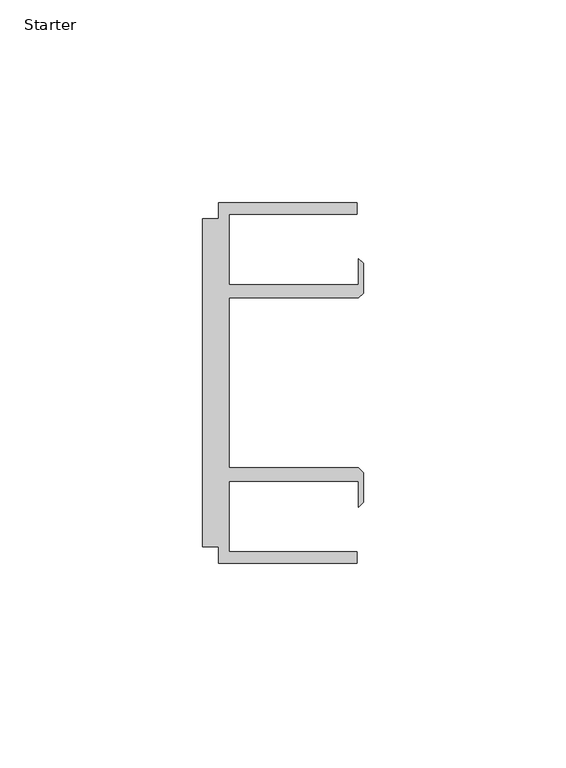
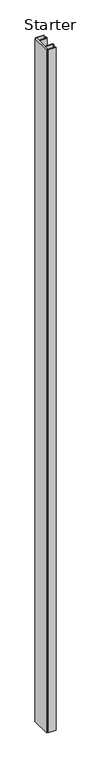
"""IFC4 building model written with IfcOpenShell, lengths in millimetres: furniture geometry, Starter."""

from ifc_helpers import new_model, si_unit, origin, origin_with_axes, place, context, project, spatial, polyline, outline, extrude, source, transform, mapped, element, save


def starter_4e03234d(model_context):
    return source(origin(), model_context, "Body", "SweptSolid", [
        extrude(outline(polyline([(33.9771533, 59.951805), (68.0771531, 59.951805), (68.0771531, 57.1518064), (36.5771534, 57.1518064), (36.5771534, 39.7518058), (68.5195633, 39.7518058), (68.5195633, 46.1177636), (69.6646531, 44.9726737), (69.6646531, 37.5968955), (68.5195633, 36.4518057), (36.5771534, 36.4518057), (36.5771534, -5.4481956), (68.5195633, -5.4481956), (69.6646531, -6.5932854), (69.6646531, -13.9690637), (68.5195633, -15.1141535), (68.5195633, -8.7481957), (36.5771534, -8.7481957), (36.5771534, -26.1481963), (68.0771531, -26.1481963), (68.0771531, -28.948195), (33.9771533, -28.948195), (33.9771533, -24.9481962), (29.9771531, -24.9481962), (29.9771531, 55.9518063), (33.9771533, 55.9518063), (33.9771533, 59.951805)])), origin_with_axes(), (0.0, 0.0, 1.0), 3048.0),
    ])


if __name__ == "__main__":
    model = new_model("IFC4")
    model_context = context("Model", 3, world=origin())
    ifc_project = project(units=[si_unit("LENGTHUNIT", "METRE", prefix="MILLI")], contexts=[model_context])
    site = spatial("IfcSite", under=ifc_project)
    building = spatial("IfcBuilding", under=site)
    placement = place(None, origin())
    starter_shape = starter_4e03234d(model_context)
    element("IfcFurniture", 1, ObjectType="Starter", at=placement, inside=building, context=model_context, shape_type="MappedRepresentation", body=[
        mapped(starter_shape, transform((0.0, 0.0, 0.0), x_axis=(1.0, 0.0, 0.0), y_axis=(0.0, 1.0, 0.0), z_axis=(0.0, 0.0, 1.0))),
    ])
    save(model, "model.ifc")
